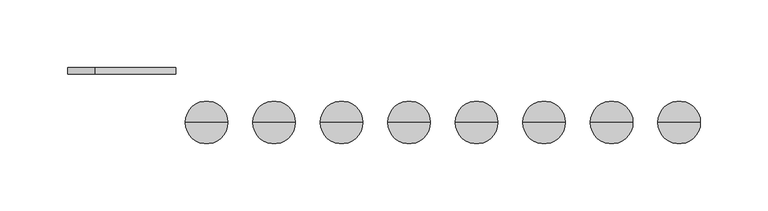
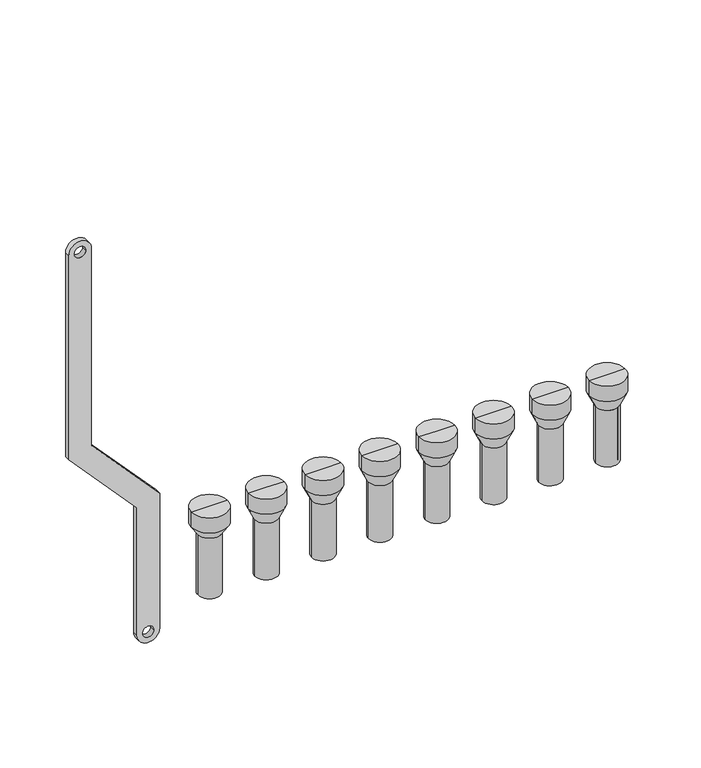
"""IFC4 building model written with IfcOpenShell, lengths in millimetres: proxy geometry."""

from ifc_helpers import new_model, si_unit, point, frame, frame_2d, origin, place, context, project, spatial, polyline, circle_curve, trimmed, segment, composite_curve, outline, extrude, source, transform, mapped, element, save
from ifc_brep_helpers import plane_surface, cylinder_surface, revolved_surface, advanced_brep


def mechanical_equipment_553332b5(model_context):
    return source(origin(), model_context, "Body", "SolidModel", [
        advanced_brep(
        [(451.0, -20.0, -240.0), (435.0, -20.0, -240.0), (435.0, -20.0, -187.5), (451.0, -20.0, -187.5), (453.0, -20.0, -240.0), (433.0, -20.0, -240.0), (453.0, -20.0, -187.5), (433.0, -20.0, -187.5), (458.791778, -20.0, -175.079492), (427.208222, -20.0, -175.079492), (458.791778, -20.0, -161.0287273), (427.208222, -20.0, -161.0287273), (443.0, -20.0, -161.0287273), (443.0, -20.0, -187.5)],
        [
            (0, 1, circle_curve(frame((443.0, -20.0, -240.0), z_axis=(0.0, 0.0, -1.0), x_axis=(-1.0, 0.0, 0.0)), 8.0)),
            (1, 2),
            (2, 3, circle_curve(frame((443.0, -20.0, -187.5), z_axis=(0.0, 0.0, 1.0), x_axis=(-1.0, 0.0, 0.0)), 8.0)),
            (3, 0),
            (1, 0, circle_curve(frame((443.0, -20.0, -240.0), z_axis=(0.0, 0.0, -1.0), x_axis=(-1.0, 0.0, 0.0)), 8.0)),
            (3, 2, circle_curve(frame((443.0, -20.0, -187.5), z_axis=(0.0, 0.0, 1.0), x_axis=(-1.0, 0.0, 0.0)), 8.0)),
            (4, 5, circle_curve(frame((443.0, -20.0, -240.0), z_axis=(0.0, 0.0, -1.0), x_axis=(-1.0, 0.0, 0.0)), 10.0)),
            (5, 1),
            (0, 4),
            (5, 4, circle_curve(frame((443.0, -20.0, -240.0), z_axis=(0.0, 0.0, -1.0), x_axis=(-1.0, 0.0, 0.0)), 10.0)),
            (6, 7, circle_curve(frame((443.0, -20.0, -187.5), z_axis=(0.0, 0.0, -1.0), x_axis=(-1.0, 0.0, 0.0)), 10.0)),
            (7, 5),
            (4, 6),
            (7, 6, circle_curve(frame((443.0, -20.0, -187.5), z_axis=(0.0, 0.0, -1.0), x_axis=(-1.0, 0.0, 0.0)), 10.0)),
            (8, 9, circle_curve(frame((443.0, -20.0, -175.079492), z_axis=(0.0, 0.0, -1.0), x_axis=(-1.0, 0.0, 0.0)), 15.791778)),
            (9, 7),
            (6, 8),
            (9, 8, circle_curve(frame((443.0, -20.0, -175.079492), z_axis=(0.0, 0.0, -1.0), x_axis=(-1.0, 0.0, 0.0)), 15.791778)),
            (10, 11, circle_curve(frame((443.0, -20.0, -161.0287273), z_axis=(0.0, 0.0, -1.0), x_axis=(-1.0, 0.0, 0.0)), 15.791778)),
            (11, 9),
            (8, 10),
            (11, 10, circle_curve(frame((443.0, -20.0, -161.0287273), z_axis=(0.0, 0.0, -1.0), x_axis=(-1.0, 0.0, 0.0)), 15.791778)),
            (12, 11),
            (10, 12),
            (2, 13),
            (13, 3),
        ],
        [
            revolved_surface(polyline([(435.0, -20.0, -187.5), (435.0, -20.0, -240.0)]), (443.0, -20.0, -200.0), (0.0, 0.0, 1.0)),
            plane_surface(frame((443.0, -20.0, -240.0), z_axis=(0.0, 0.0, -1.0), x_axis=(-1.0, 0.0, 0.0))),
            cylinder_surface(frame((443.0, -20.0, -200.0), z_axis=(0.0, 0.0, 1.0), x_axis=(-1.0, 0.0, 0.0)), 10.0),
            revolved_surface(polyline([(433.0, -20.0, -187.5), (427.208222, -20.0, -175.079492)]), (443.0, -20.0, -200.0), (0.0, 0.0, 1.0)),
            cylinder_surface(frame((443.0, -20.0, -200.0), z_axis=(0.0, 0.0, 1.0), x_axis=(-1.0, 0.0, 0.0)), 15.791778),
            plane_surface(frame((443.0, -20.0, -161.0287273), z_axis=(0.0, 0.0, 1.0), x_axis=(-1.0, 0.0, 0.0))),
            plane_surface(frame((443.0, -20.0, -187.5), z_axis=(0.0, 0.0, -1.0), x_axis=(-1.0, 0.0, 0.0))),
        ],
        [
            (0, [[1, 2, 3, 4]]),
            (0, [[5, -4, 6, -2]]),
            (1, [[7, 8, -1, 9]]),
            (1, [[10, -9, -5, -8]]),
            (2, [[11, 12, -7, 13]]),
            (2, [[14, -13, -10, -12]]),
            (3, [[15, 16, -11, 17]]),
            (3, [[18, -17, -14, -16]]),
            (4, [[19, 20, -15, 21]]),
            (4, [[22, -21, -18, -20]]),
            (5, [[23, -19, 24]]),
            (5, [[-24, -22, -23]]),
            (6, [[-3, 25, 26]]),
            (6, [[-6, -26, -25]]),
        ],
    ),
        advanced_brep(
        [(401.0, -20.0, -240.0), (385.0, -20.0, -240.0), (385.0, -20.0, -187.5), (401.0, -20.0, -187.5), (403.0, -20.0, -240.0), (383.0, -20.0, -240.0), (403.0, -20.0, -187.5), (383.0, -20.0, -187.5), (408.791778, -20.0, -175.079492), (377.208222, -20.0, -175.079492), (408.791778, -20.0, -161.0287273), (377.208222, -20.0, -161.0287273), (393.0, -20.0, -161.0287273), (393.0, -20.0, -187.5)],
        [
            (0, 1, circle_curve(frame((393.0, -20.0, -240.0), z_axis=(0.0, 0.0, -1.0), x_axis=(-1.0, 0.0, 0.0)), 8.0)),
            (1, 2),
            (2, 3, circle_curve(frame((393.0, -20.0, -187.5), z_axis=(0.0, 0.0, 1.0), x_axis=(-1.0, 0.0, 0.0)), 8.0)),
            (3, 0),
            (1, 0, circle_curve(frame((393.0, -20.0, -240.0), z_axis=(0.0, 0.0, -1.0), x_axis=(-1.0, 0.0, 0.0)), 8.0)),
            (3, 2, circle_curve(frame((393.0, -20.0, -187.5), z_axis=(0.0, 0.0, 1.0), x_axis=(-1.0, 0.0, 0.0)), 8.0)),
            (4, 5, circle_curve(frame((393.0, -20.0, -240.0), z_axis=(0.0, 0.0, -1.0), x_axis=(-1.0, 0.0, 0.0)), 10.0)),
            (5, 1),
            (0, 4),
            (5, 4, circle_curve(frame((393.0, -20.0, -240.0), z_axis=(0.0, 0.0, -1.0), x_axis=(-1.0, 0.0, 0.0)), 10.0)),
            (6, 7, circle_curve(frame((393.0, -20.0, -187.5), z_axis=(0.0, 0.0, -1.0), x_axis=(-1.0, 0.0, 0.0)), 10.0)),
            (7, 5),
            (4, 6),
            (7, 6, circle_curve(frame((393.0, -20.0, -187.5), z_axis=(0.0, 0.0, -1.0), x_axis=(-1.0, 0.0, 0.0)), 10.0)),
            (8, 9, circle_curve(frame((393.0, -20.0, -175.079492), z_axis=(0.0, 0.0, -1.0), x_axis=(-1.0, 0.0, 0.0)), 15.791778)),
            (9, 7),
            (6, 8),
            (9, 8, circle_curve(frame((393.0, -20.0, -175.079492), z_axis=(0.0, 0.0, -1.0), x_axis=(-1.0, 0.0, 0.0)), 15.791778)),
            (10, 11, circle_curve(frame((393.0, -20.0, -161.0287273), z_axis=(0.0, 0.0, -1.0), x_axis=(-1.0, 0.0, 0.0)), 15.791778)),
            (11, 9),
            (8, 10),
            (11, 10, circle_curve(frame((393.0, -20.0, -161.0287273), z_axis=(0.0, 0.0, -1.0), x_axis=(-1.0, 0.0, 0.0)), 15.791778)),
            (12, 11),
            (10, 12),
            (2, 13),
            (13, 3),
        ],
        [
            revolved_surface(polyline([(385.0, -20.0, -187.5), (385.0, -20.0, -240.0)]), (393.0, -20.0, -200.0), (0.0, 0.0, 1.0)),
            plane_surface(frame((393.0, -20.0, -240.0), z_axis=(0.0, 0.0, -1.0), x_axis=(-1.0, 0.0, 0.0))),
            cylinder_surface(frame((393.0, -20.0, -200.0), z_axis=(0.0, 0.0, 1.0), x_axis=(-1.0, 0.0, 0.0)), 10.0),
            revolved_surface(polyline([(383.0, -20.0, -187.5), (377.208222, -20.0, -175.079492)]), (393.0, -20.0, -200.0), (0.0, 0.0, 1.0)),
            cylinder_surface(frame((393.0, -20.0, -200.0), z_axis=(0.0, 0.0, 1.0), x_axis=(-1.0, 0.0, 0.0)), 15.791778),
            plane_surface(frame((393.0, -20.0, -161.0287273), z_axis=(0.0, 0.0, 1.0), x_axis=(-1.0, 0.0, 0.0))),
            plane_surface(frame((393.0, -20.0, -187.5), z_axis=(0.0, 0.0, -1.0), x_axis=(-1.0, 0.0, 0.0))),
        ],
        [
            (0, [[1, 2, 3, 4]]),
            (0, [[5, -4, 6, -2]]),
            (1, [[7, 8, -1, 9]]),
            (1, [[10, -9, -5, -8]]),
            (2, [[11, 12, -7, 13]]),
            (2, [[14, -13, -10, -12]]),
            (3, [[15, 16, -11, 17]]),
            (3, [[18, -17, -14, -16]]),
            (4, [[19, 20, -15, 21]]),
            (4, [[22, -21, -18, -20]]),
            (5, [[23, -19, 24]]),
            (5, [[-24, -22, -23]]),
            (6, [[-3, 25, 26]]),
            (6, [[-6, -26, -25]]),
        ],
    ),
        advanced_brep(
        [(351.0, -20.0, -240.0), (335.0, -20.0, -240.0), (335.0, -20.0, -187.5), (351.0, -20.0, -187.5), (353.0, -20.0, -240.0), (333.0, -20.0, -240.0), (353.0, -20.0, -187.5), (333.0, -20.0, -187.5), (358.791778, -20.0, -175.079492), (327.208222, -20.0, -175.079492), (358.791778, -20.0, -161.0287273), (327.208222, -20.0, -161.0287273), (343.0, -20.0, -161.0287273), (343.0, -20.0, -187.5)],
        [
            (0, 1, circle_curve(frame((343.0, -20.0, -240.0), z_axis=(0.0, 0.0, -1.0), x_axis=(-1.0, 0.0, 0.0)), 8.0)),
            (1, 2),
            (2, 3, circle_curve(frame((343.0, -20.0, -187.5), z_axis=(0.0, 0.0, 1.0), x_axis=(-1.0, 0.0, 0.0)), 8.0)),
            (3, 0),
            (1, 0, circle_curve(frame((343.0, -20.0, -240.0), z_axis=(0.0, 0.0, -1.0), x_axis=(-1.0, 0.0, 0.0)), 8.0)),
            (3, 2, circle_curve(frame((343.0, -20.0, -187.5), z_axis=(0.0, 0.0, 1.0), x_axis=(-1.0, 0.0, 0.0)), 8.0)),
            (4, 5, circle_curve(frame((343.0, -20.0, -240.0), z_axis=(0.0, 0.0, -1.0), x_axis=(-1.0, 0.0, 0.0)), 10.0)),
            (5, 1),
            (0, 4),
            (5, 4, circle_curve(frame((343.0, -20.0, -240.0), z_axis=(0.0, 0.0, -1.0), x_axis=(-1.0, 0.0, 0.0)), 10.0)),
            (6, 7, circle_curve(frame((343.0, -20.0, -187.5), z_axis=(0.0, 0.0, -1.0), x_axis=(-1.0, 0.0, 0.0)), 10.0)),
            (7, 5),
            (4, 6),
            (7, 6, circle_curve(frame((343.0, -20.0, -187.5), z_axis=(0.0, 0.0, -1.0), x_axis=(-1.0, 0.0, 0.0)), 10.0)),
            (8, 9, circle_curve(frame((343.0, -20.0, -175.079492), z_axis=(0.0, 0.0, -1.0), x_axis=(-1.0, 0.0, 0.0)), 15.791778)),
            (9, 7),
            (6, 8),
            (9, 8, circle_curve(frame((343.0, -20.0, -175.079492), z_axis=(0.0, 0.0, -1.0), x_axis=(-1.0, 0.0, 0.0)), 15.791778)),
            (10, 11, circle_curve(frame((343.0, -20.0, -161.0287273), z_axis=(0.0, 0.0, -1.0), x_axis=(-1.0, 0.0, 0.0)), 15.791778)),
            (11, 9),
            (8, 10),
            (11, 10, circle_curve(frame((343.0, -20.0, -161.0287273), z_axis=(0.0, 0.0, -1.0), x_axis=(-1.0, 0.0, 0.0)), 15.791778)),
            (12, 11),
            (10, 12),
            (2, 13),
            (13, 3),
        ],
        [
            revolved_surface(polyline([(335.0, -20.0, -187.5), (335.0, -20.0, -240.0)]), (343.0, -20.0, -200.0), (0.0, 0.0, 1.0)),
            plane_surface(frame((343.0, -20.0, -240.0), z_axis=(0.0, 0.0, -1.0), x_axis=(-1.0, 0.0, 0.0))),
            cylinder_surface(frame((343.0, -20.0, -200.0), z_axis=(0.0, 0.0, 1.0), x_axis=(-1.0, 0.0, 0.0)), 10.0),
            revolved_surface(polyline([(333.0, -20.0, -187.5), (327.208222, -20.0, -175.079492)]), (343.0, -20.0, -200.0), (0.0, 0.0, 1.0)),
            cylinder_surface(frame((343.0, -20.0, -200.0), z_axis=(0.0, 0.0, 1.0), x_axis=(-1.0, 0.0, 0.0)), 15.791778),
            plane_surface(frame((343.0, -20.0, -161.0287273), z_axis=(0.0, 0.0, 1.0), x_axis=(-1.0, 0.0, 0.0))),
            plane_surface(frame((343.0, -20.0, -187.5), z_axis=(0.0, 0.0, -1.0), x_axis=(-1.0, 0.0, 0.0))),
        ],
        [
            (0, [[1, 2, 3, 4]]),
            (0, [[5, -4, 6, -2]]),
            (1, [[7, 8, -1, 9]]),
            (1, [[10, -9, -5, -8]]),
            (2, [[11, 12, -7, 13]]),
            (2, [[14, -13, -10, -12]]),
            (3, [[15, 16, -11, 17]]),
            (3, [[18, -17, -14, -16]]),
            (4, [[19, 20, -15, 21]]),
            (4, [[22, -21, -18, -20]]),
            (5, [[23, -19, 24]]),
            (5, [[-24, -22, -23]]),
            (6, [[-3, 25, 26]]),
            (6, [[-6, -26, -25]]),
        ],
    ),
        advanced_brep(
        [(301.0, -20.0, -240.0), (285.0, -20.0, -240.0), (285.0, -20.0, -187.5), (301.0, -20.0, -187.5), (303.0, -20.0, -240.0), (283.0, -20.0, -240.0), (303.0, -20.0, -187.5), (283.0, -20.0, -187.5), (308.791778, -20.0, -175.079492), (277.208222, -20.0, -175.079492), (308.791778, -20.0, -161.0287273), (277.208222, -20.0, -161.0287273), (293.0, -20.0, -161.0287273), (293.0, -20.0, -187.5)],
        [
            (0, 1, circle_curve(frame((293.0, -20.0, -240.0), z_axis=(0.0, 0.0, -1.0), x_axis=(-1.0, 0.0, 0.0)), 8.0)),
            (1, 2),
            (2, 3, circle_curve(frame((293.0, -20.0, -187.5), z_axis=(0.0, 0.0, 1.0), x_axis=(-1.0, 0.0, 0.0)), 8.0)),
            (3, 0),
            (1, 0, circle_curve(frame((293.0, -20.0, -240.0), z_axis=(0.0, 0.0, -1.0), x_axis=(-1.0, 0.0, 0.0)), 8.0)),
            (3, 2, circle_curve(frame((293.0, -20.0, -187.5), z_axis=(0.0, 0.0, 1.0), x_axis=(-1.0, 0.0, 0.0)), 8.0)),
            (4, 5, circle_curve(frame((293.0, -20.0, -240.0), z_axis=(0.0, 0.0, -1.0), x_axis=(-1.0, 0.0, 0.0)), 10.0)),
            (5, 1),
            (0, 4),
            (5, 4, circle_curve(frame((293.0, -20.0, -240.0), z_axis=(0.0, 0.0, -1.0), x_axis=(-1.0, 0.0, 0.0)), 10.0)),
            (6, 7, circle_curve(frame((293.0, -20.0, -187.5), z_axis=(0.0, 0.0, -1.0), x_axis=(-1.0, 0.0, 0.0)), 10.0)),
            (7, 5),
            (4, 6),
            (7, 6, circle_curve(frame((293.0, -20.0, -187.5), z_axis=(0.0, 0.0, -1.0), x_axis=(-1.0, 0.0, 0.0)), 10.0)),
            (8, 9, circle_curve(frame((293.0, -20.0, -175.079492), z_axis=(0.0, 0.0, -1.0), x_axis=(-1.0, 0.0, 0.0)), 15.791778)),
            (9, 7),
            (6, 8),
            (9, 8, circle_curve(frame((293.0, -20.0, -175.079492), z_axis=(0.0, 0.0, -1.0), x_axis=(-1.0, 0.0, 0.0)), 15.791778)),
            (10, 11, circle_curve(frame((293.0, -20.0, -161.0287273), z_axis=(0.0, 0.0, -1.0), x_axis=(-1.0, 0.0, 0.0)), 15.791778)),
            (11, 9),
            (8, 10),
            (11, 10, circle_curve(frame((293.0, -20.0, -161.0287273), z_axis=(0.0, 0.0, -1.0), x_axis=(-1.0, 0.0, 0.0)), 15.791778)),
            (12, 11),
            (10, 12),
            (2, 13),
            (13, 3),
        ],
        [
            revolved_surface(polyline([(285.0, -20.0, -187.5), (285.0, -20.0, -240.0)]), (293.0, -20.0, -200.0), (0.0, 0.0, 1.0)),
            plane_surface(frame((293.0, -20.0, -240.0), z_axis=(0.0, 0.0, -1.0), x_axis=(-1.0, 0.0, 0.0))),
            cylinder_surface(frame((293.0, -20.0, -200.0), z_axis=(0.0, 0.0, 1.0), x_axis=(-1.0, 0.0, 0.0)), 10.0),
            revolved_surface(polyline([(283.0, -20.0, -187.5), (277.208222, -20.0, -175.079492)]), (293.0, -20.0, -200.0), (0.0, 0.0, 1.0)),
            cylinder_surface(frame((293.0, -20.0, -200.0), z_axis=(0.0, 0.0, 1.0), x_axis=(-1.0, 0.0, 0.0)), 15.791778),
            plane_surface(frame((293.0, -20.0, -161.0287273), z_axis=(0.0, 0.0, 1.0), x_axis=(-1.0, 0.0, 0.0))),
            plane_surface(frame((293.0, -20.0, -187.5), z_axis=(0.0, 0.0, -1.0), x_axis=(-1.0, 0.0, 0.0))),
        ],
        [
            (0, [[1, 2, 3, 4]]),
            (0, [[5, -4, 6, -2]]),
            (1, [[7, 8, -1, 9]]),
            (1, [[10, -9, -5, -8]]),
            (2, [[11, 12, -7, 13]]),
            (2, [[14, -13, -10, -12]]),
            (3, [[15, 16, -11, 17]]),
            (3, [[18, -17, -14, -16]]),
            (4, [[19, 20, -15, 21]]),
            (4, [[22, -21, -18, -20]]),
            (5, [[23, -19, 24]]),
            (5, [[-24, -22, -23]]),
            (6, [[-3, 25, 26]]),
            (6, [[-6, -26, -25]]),
        ],
    ),
        advanced_brep(
        [(251.0, -20.0, -240.0), (235.0, -20.0, -240.0), (235.0, -20.0, -187.5), (251.0, -20.0, -187.5), (253.0, -20.0, -240.0), (233.0, -20.0, -240.0), (253.0, -20.0, -187.5), (233.0, -20.0, -187.5), (258.791778, -20.0, -175.079492), (227.208222, -20.0, -175.079492), (258.791778, -20.0, -161.0287273), (227.208222, -20.0, -161.0287273), (243.0, -20.0, -161.0287273), (243.0, -20.0, -187.5)],
        [
            (0, 1, circle_curve(frame((243.0, -20.0, -240.0), z_axis=(0.0, 0.0, -1.0), x_axis=(-1.0, 0.0, 0.0)), 8.0)),
            (1, 2),
            (2, 3, circle_curve(frame((243.0, -20.0, -187.5), z_axis=(0.0, 0.0, 1.0), x_axis=(-1.0, 0.0, 0.0)), 8.0)),
            (3, 0),
            (1, 0, circle_curve(frame((243.0, -20.0, -240.0), z_axis=(0.0, 0.0, -1.0), x_axis=(-1.0, 0.0, 0.0)), 8.0)),
            (3, 2, circle_curve(frame((243.0, -20.0, -187.5), z_axis=(0.0, 0.0, 1.0), x_axis=(-1.0, 0.0, 0.0)), 8.0)),
            (4, 5, circle_curve(frame((243.0, -20.0, -240.0), z_axis=(0.0, 0.0, -1.0), x_axis=(-1.0, 0.0, 0.0)), 10.0)),
            (5, 1),
            (0, 4),
            (5, 4, circle_curve(frame((243.0, -20.0, -240.0), z_axis=(0.0, 0.0, -1.0), x_axis=(-1.0, 0.0, 0.0)), 10.0)),
            (6, 7, circle_curve(frame((243.0, -20.0, -187.5), z_axis=(0.0, 0.0, -1.0), x_axis=(-1.0, 0.0, 0.0)), 10.0)),
            (7, 5),
            (4, 6),
            (7, 6, circle_curve(frame((243.0, -20.0, -187.5), z_axis=(0.0, 0.0, -1.0), x_axis=(-1.0, 0.0, 0.0)), 10.0)),
            (8, 9, circle_curve(frame((243.0, -20.0, -175.079492), z_axis=(0.0, 0.0, -1.0), x_axis=(-1.0, 0.0, 0.0)), 15.791778)),
            (9, 7),
            (6, 8),
            (9, 8, circle_curve(frame((243.0, -20.0, -175.079492), z_axis=(0.0, 0.0, -1.0), x_axis=(-1.0, 0.0, 0.0)), 15.791778)),
            (10, 11, circle_curve(frame((243.0, -20.0, -161.0287273), z_axis=(0.0, 0.0, -1.0), x_axis=(-1.0, 0.0, 0.0)), 15.791778)),
            (11, 9),
            (8, 10),
            (11, 10, circle_curve(frame((243.0, -20.0, -161.0287273), z_axis=(0.0, 0.0, -1.0), x_axis=(-1.0, 0.0, 0.0)), 15.791778)),
            (12, 11),
            (10, 12),
            (2, 13),
            (13, 3),
        ],
        [
            revolved_surface(polyline([(235.0, -20.0, -187.5), (235.0, -20.0, -240.0)]), (243.0, -20.0, -200.0), (0.0, 0.0, 1.0)),
            plane_surface(frame((243.0, -20.0, -240.0), z_axis=(0.0, 0.0, -1.0), x_axis=(-1.0, 0.0, 0.0))),
            cylinder_surface(frame((243.0, -20.0, -200.0), z_axis=(0.0, 0.0, 1.0), x_axis=(-1.0, 0.0, 0.0)), 10.0),
            revolved_surface(polyline([(233.0, -20.0, -187.5), (227.208222, -20.0, -175.079492)]), (243.0, -20.0, -200.0), (0.0, 0.0, 1.0)),
            cylinder_surface(frame((243.0, -20.0, -200.0), z_axis=(0.0, 0.0, 1.0), x_axis=(-1.0, 0.0, 0.0)), 15.791778),
            plane_surface(frame((243.0, -20.0, -161.0287273), z_axis=(0.0, 0.0, 1.0), x_axis=(-1.0, 0.0, 0.0))),
            plane_surface(frame((243.0, -20.0, -187.5), z_axis=(0.0, 0.0, -1.0), x_axis=(-1.0, 0.0, 0.0))),
        ],
        [
            (0, [[1, 2, 3, 4]]),
            (0, [[5, -4, 6, -2]]),
            (1, [[7, 8, -1, 9]]),
            (1, [[10, -9, -5, -8]]),
            (2, [[11, 12, -7, 13]]),
            (2, [[14, -13, -10, -12]]),
            (3, [[15, 16, -11, 17]]),
            (3, [[18, -17, -14, -16]]),
            (4, [[19, 20, -15, 21]]),
            (4, [[22, -21, -18, -20]]),
            (5, [[23, -19, 24]]),
            (5, [[-24, -22, -23]]),
            (6, [[-3, 25, 26]]),
            (6, [[-6, -26, -25]]),
        ],
    ),
        advanced_brep(
        [(201.0, -20.0, -240.0), (185.0, -20.0, -240.0), (185.0, -20.0, -187.5), (201.0, -20.0, -187.5), (203.0, -20.0, -240.0), (183.0, -20.0, -240.0), (203.0, -20.0, -187.5), (183.0, -20.0, -187.5), (208.791778, -20.0, -175.079492), (177.208222, -20.0, -175.079492), (208.791778, -20.0, -161.0287273), (177.208222, -20.0, -161.0287273), (193.0, -20.0, -161.0287273), (193.0, -20.0, -187.5)],
        [
            (0, 1, circle_curve(frame((193.0, -20.0, -240.0), z_axis=(0.0, 0.0, -1.0), x_axis=(-1.0, 0.0, 0.0)), 8.0)),
            (1, 2),
            (2, 3, circle_curve(frame((193.0, -20.0, -187.5), z_axis=(0.0, 0.0, 1.0), x_axis=(-1.0, 0.0, 0.0)), 8.0)),
            (3, 0),
            (1, 0, circle_curve(frame((193.0, -20.0, -240.0), z_axis=(0.0, 0.0, -1.0), x_axis=(-1.0, 0.0, 0.0)), 8.0)),
            (3, 2, circle_curve(frame((193.0, -20.0, -187.5), z_axis=(0.0, 0.0, 1.0), x_axis=(-1.0, 0.0, 0.0)), 8.0)),
            (4, 5, circle_curve(frame((193.0, -20.0, -240.0), z_axis=(0.0, 0.0, -1.0), x_axis=(-1.0, 0.0, 0.0)), 10.0)),
            (5, 1),
            (0, 4),
            (5, 4, circle_curve(frame((193.0, -20.0, -240.0), z_axis=(0.0, 0.0, -1.0), x_axis=(-1.0, 0.0, 0.0)), 10.0)),
            (6, 7, circle_curve(frame((193.0, -20.0, -187.5), z_axis=(0.0, 0.0, -1.0), x_axis=(-1.0, 0.0, 0.0)), 10.0)),
            (7, 5),
            (4, 6),
            (7, 6, circle_curve(frame((193.0, -20.0, -187.5), z_axis=(0.0, 0.0, -1.0), x_axis=(-1.0, 0.0, 0.0)), 10.0)),
            (8, 9, circle_curve(frame((193.0, -20.0, -175.079492), z_axis=(0.0, 0.0, -1.0), x_axis=(-1.0, 0.0, 0.0)), 15.791778)),
            (9, 7),
            (6, 8),
            (9, 8, circle_curve(frame((193.0, -20.0, -175.079492), z_axis=(0.0, 0.0, -1.0), x_axis=(-1.0, 0.0, 0.0)), 15.791778)),
            (10, 11, circle_curve(frame((193.0, -20.0, -161.0287273), z_axis=(0.0, 0.0, -1.0), x_axis=(-1.0, 0.0, 0.0)), 15.791778)),
            (11, 9),
            (8, 10),
            (11, 10, circle_curve(frame((193.0, -20.0, -161.0287273), z_axis=(0.0, 0.0, -1.0), x_axis=(-1.0, 0.0, 0.0)), 15.791778)),
            (12, 11),
            (10, 12),
            (2, 13),
            (13, 3),
        ],
        [
            revolved_surface(polyline([(185.0, -20.0, -187.5), (185.0, -20.0, -240.0)]), (193.0, -20.0, -200.0), (0.0, 0.0, 1.0)),
            plane_surface(frame((193.0, -20.0, -240.0), z_axis=(0.0, 0.0, -1.0), x_axis=(-1.0, 0.0, 0.0))),
            cylinder_surface(frame((193.0, -20.0, -200.0), z_axis=(0.0, 0.0, 1.0), x_axis=(-1.0, 0.0, 0.0)), 10.0),
            revolved_surface(polyline([(183.0, -20.0, -187.5), (177.208222, -20.0, -175.079492)]), (193.0, -20.0, -200.0), (0.0, 0.0, 1.0)),
            cylinder_surface(frame((193.0, -20.0, -200.0), z_axis=(0.0, 0.0, 1.0), x_axis=(-1.0, 0.0, 0.0)), 15.791778),
            plane_surface(frame((193.0, -20.0, -161.0287273), z_axis=(0.0, 0.0, 1.0), x_axis=(-1.0, 0.0, 0.0))),
            plane_surface(frame((193.0, -20.0, -187.5), z_axis=(0.0, 0.0, -1.0), x_axis=(-1.0, 0.0, 0.0))),
        ],
        [
            (0, [[1, 2, 3, 4]]),
            (0, [[5, -4, 6, -2]]),
            (1, [[7, 8, -1, 9]]),
            (1, [[10, -9, -5, -8]]),
            (2, [[11, 12, -7, 13]]),
            (2, [[14, -13, -10, -12]]),
            (3, [[15, 16, -11, 17]]),
            (3, [[18, -17, -14, -16]]),
            (4, [[19, 20, -15, 21]]),
            (4, [[22, -21, -18, -20]]),
            (5, [[23, -19, 24]]),
            (5, [[-24, -22, -23]]),
            (6, [[-3, 25, 26]]),
            (6, [[-6, -26, -25]]),
        ],
    ),
        advanced_brep(
        [(151.0, -20.0, -240.0), (135.0, -20.0, -240.0), (135.0, -20.0, -187.5), (151.0, -20.0, -187.5), (153.0, -20.0, -240.0), (133.0, -20.0, -240.0), (153.0, -20.0, -187.5), (133.0, -20.0, -187.5), (158.791778, -20.0, -175.079492), (127.208222, -20.0, -175.079492), (158.791778, -20.0, -161.0287273), (127.208222, -20.0, -161.0287273), (143.0, -20.0, -161.0287273), (143.0, -20.0, -187.5)],
        [
            (0, 1, circle_curve(frame((143.0, -20.0, -240.0), z_axis=(0.0, 0.0, -1.0), x_axis=(-1.0, 0.0, 0.0)), 8.0)),
            (1, 2),
            (2, 3, circle_curve(frame((143.0, -20.0, -187.5), z_axis=(0.0, 0.0, 1.0), x_axis=(-1.0, 0.0, 0.0)), 8.0)),
            (3, 0),
            (1, 0, circle_curve(frame((143.0, -20.0, -240.0), z_axis=(0.0, 0.0, -1.0), x_axis=(-1.0, 0.0, 0.0)), 8.0)),
            (3, 2, circle_curve(frame((143.0, -20.0, -187.5), z_axis=(0.0, 0.0, 1.0), x_axis=(-1.0, 0.0, 0.0)), 8.0)),
            (4, 5, circle_curve(frame((143.0, -20.0, -240.0), z_axis=(0.0, 0.0, -1.0), x_axis=(-1.0, 0.0, 0.0)), 10.0)),
            (5, 1),
            (0, 4),
            (5, 4, circle_curve(frame((143.0, -20.0, -240.0), z_axis=(0.0, 0.0, -1.0), x_axis=(-1.0, 0.0, 0.0)), 10.0)),
            (6, 7, circle_curve(frame((143.0, -20.0, -187.5), z_axis=(0.0, 0.0, -1.0), x_axis=(-1.0, 0.0, 0.0)), 10.0)),
            (7, 5),
            (4, 6),
            (7, 6, circle_curve(frame((143.0, -20.0, -187.5), z_axis=(0.0, 0.0, -1.0), x_axis=(-1.0, 0.0, 0.0)), 10.0)),
            (8, 9, circle_curve(frame((143.0, -20.0, -175.079492), z_axis=(0.0, 0.0, -1.0), x_axis=(-1.0, 0.0, 0.0)), 15.791778)),
            (9, 7),
            (6, 8),
            (9, 8, circle_curve(frame((143.0, -20.0, -175.079492), z_axis=(0.0, 0.0, -1.0), x_axis=(-1.0, 0.0, 0.0)), 15.791778)),
            (10, 11, circle_curve(frame((143.0, -20.0, -161.0287273), z_axis=(0.0, 0.0, -1.0), x_axis=(-1.0, 0.0, 0.0)), 15.791778)),
            (11, 9),
            (8, 10),
            (11, 10, circle_curve(frame((143.0, -20.0, -161.0287273), z_axis=(0.0, 0.0, -1.0), x_axis=(-1.0, 0.0, 0.0)), 15.791778)),
            (12, 11),
            (10, 12),
            (2, 13),
            (13, 3),
        ],
        [
            revolved_surface(polyline([(135.0, -20.0, -187.5), (135.0, -20.0, -240.0)]), (143.0, -20.0, -200.0), (0.0, 0.0, 1.0)),
            plane_surface(frame((143.0, -20.0, -240.0), z_axis=(0.0, 0.0, -1.0), x_axis=(-1.0, 0.0, 0.0))),
            cylinder_surface(frame((143.0, -20.0, -200.0), z_axis=(0.0, 0.0, 1.0), x_axis=(-1.0, 0.0, 0.0)), 10.0),
            revolved_surface(polyline([(133.0, -20.0, -187.5), (127.208222, -20.0, -175.079492)]), (143.0, -20.0, -200.0), (0.0, 0.0, 1.0)),
            cylinder_surface(frame((143.0, -20.0, -200.0), z_axis=(0.0, 0.0, 1.0), x_axis=(-1.0, 0.0, 0.0)), 15.791778),
            plane_surface(frame((143.0, -20.0, -161.0287273), z_axis=(0.0, 0.0, 1.0), x_axis=(-1.0, 0.0, 0.0))),
            plane_surface(frame((143.0, -20.0, -187.5), z_axis=(0.0, 0.0, -1.0), x_axis=(-1.0, 0.0, 0.0))),
        ],
        [
            (0, [[1, 2, 3, 4]]),
            (0, [[5, -4, 6, -2]]),
            (1, [[7, 8, -1, 9]]),
            (1, [[10, -9, -5, -8]]),
            (2, [[11, 12, -7, 13]]),
            (2, [[14, -13, -10, -12]]),
            (3, [[15, 16, -11, 17]]),
            (3, [[18, -17, -14, -16]]),
            (4, [[19, 20, -15, 21]]),
            (4, [[22, -21, -18, -20]]),
            (5, [[23, -19, 24]]),
            (5, [[-24, -22, -23]]),
            (6, [[-3, 25, 26]]),
            (6, [[-6, -26, -25]]),
        ],
    ),
        advanced_brep(
        [(101.0, -20.0, -240.0), (85.0, -20.0, -240.0), (85.0, -20.0, -184.0), (101.0, -20.0, -184.0), (103.0, -20.0, -240.0), (83.0, -20.0, -240.0), (103.0, -20.0, -184.0), (83.0, -20.0, -184.0), (108.791778, -20.0, -175.079492), (77.208222, -20.0, -175.079492), (108.791778, -20.0, -161.0287273), (77.208222, -20.0, -161.0287273), (93.0, -20.0, -161.0287273), (93.0, -20.0, -184.0)],
        [
            (0, 1, circle_curve(frame((93.0, -20.0, -240.0), z_axis=(0.0, 0.0, -1.0), x_axis=(-1.0, 0.0, 0.0)), 8.0)),
            (1, 2),
            (2, 3, circle_curve(frame((93.0, -20.0, -184.0), z_axis=(0.0, 0.0, 1.0), x_axis=(-1.0, 0.0, 0.0)), 8.0)),
            (3, 0),
            (1, 0, circle_curve(frame((93.0, -20.0, -240.0), z_axis=(0.0, 0.0, -1.0), x_axis=(-1.0, 0.0, 0.0)), 8.0)),
            (3, 2, circle_curve(frame((93.0, -20.0, -184.0), z_axis=(0.0, 0.0, 1.0), x_axis=(-1.0, 0.0, 0.0)), 8.0)),
            (4, 5, circle_curve(frame((93.0, -20.0, -240.0), z_axis=(0.0, 0.0, -1.0), x_axis=(-1.0, 0.0, 0.0)), 10.0)),
            (5, 1),
            (0, 4),
            (5, 4, circle_curve(frame((93.0, -20.0, -240.0), z_axis=(0.0, 0.0, -1.0), x_axis=(-1.0, 0.0, 0.0)), 10.0)),
            (6, 7, circle_curve(frame((93.0, -20.0, -184.0), z_axis=(0.0, 0.0, -1.0), x_axis=(-1.0, 0.0, 0.0)), 10.0)),
            (7, 5),
            (4, 6),
            (7, 6, circle_curve(frame((93.0, -20.0, -184.0), z_axis=(0.0, 0.0, -1.0), x_axis=(-1.0, 0.0, 0.0)), 10.0)),
            (8, 9, circle_curve(frame((93.0, -20.0, -175.079492), z_axis=(0.0, 0.0, -1.0), x_axis=(-1.0, 0.0, 0.0)), 15.791778)),
            (9, 7),
            (6, 8),
            (9, 8, circle_curve(frame((93.0, -20.0, -175.079492), z_axis=(0.0, 0.0, -1.0), x_axis=(-1.0, 0.0, 0.0)), 15.791778)),
            (10, 11, circle_curve(frame((93.0, -20.0, -161.0287273), z_axis=(0.0, 0.0, -1.0), x_axis=(-1.0, 0.0, 0.0)), 15.791778)),
            (11, 9),
            (8, 10),
            (11, 10, circle_curve(frame((93.0, -20.0, -161.0287273), z_axis=(0.0, 0.0, -1.0), x_axis=(-1.0, 0.0, 0.0)), 15.791778)),
            (12, 11),
            (10, 12),
            (2, 13),
            (13, 3),
        ],
        [
            revolved_surface(polyline([(85.0, -20.0, -184.0), (85.0, -20.0, -240.0)]), (93.0, -20.0, -200.0), (0.0, 0.0, 1.0)),
            plane_surface(frame((93.0, -20.0, -240.0), z_axis=(0.0, 0.0, -1.0), x_axis=(-1.0, 0.0, 0.0))),
            cylinder_surface(frame((93.0, -20.0, -200.0), z_axis=(0.0, 0.0, 1.0), x_axis=(-1.0, 0.0, 0.0)), 10.0),
            revolved_surface(polyline([(83.0, -20.0, -184.0), (77.208222, -20.0, -175.079492)]), (93.0, -20.0, -200.0), (0.0, 0.0, 1.0)),
            cylinder_surface(frame((93.0, -20.0, -200.0), z_axis=(0.0, 0.0, 1.0), x_axis=(-1.0, 0.0, 0.0)), 15.791778),
            plane_surface(frame((93.0, -20.0, -161.0287273), z_axis=(0.0, 0.0, 1.0), x_axis=(-1.0, 0.0, 0.0))),
            plane_surface(frame((93.0, -20.0, -184.0), z_axis=(0.0, 0.0, -1.0), x_axis=(-1.0, 0.0, 0.0))),
        ],
        [
            (0, [[1, 2, 3, 4]]),
            (0, [[5, -4, 6, -2]]),
            (1, [[7, 8, -1, 9]]),
            (1, [[10, -9, -5, -8]]),
            (2, [[11, 12, -7, 13]]),
            (2, [[14, -13, -10, -12]]),
            (3, [[15, 16, -11, 17]]),
            (3, [[18, -17, -14, -16]]),
            (4, [[19, 20, -15, 21]]),
            (4, [[22, -21, -18, -20]]),
            (5, [[23, -19, 24]]),
            (5, [[-24, -22, -23]]),
            (6, [[-3, 25, 26]]),
            (6, [[-6, -26, -25]]),
        ],
    ),
        extrude(outline(composite_curve([segment(trimmed(circle_curve(frame_2d((86.2845679, 0.0)), 10.0), [point((86.2845679, 10.0))], [point((86.2845679, -10.0))], False, "CARTESIAN"), True, "CONTINUOUS"), segment(polyline([(86.2845679, -10.0), (-103.7138261, -10.0), (-169.0329221, 50.0), (-287.9537524, 50.0)]), True, "CONTINUOUS"), segment(trimmed(circle_curve(frame_2d((-287.9537524, 60.0)), 10.0), [point((-287.9537524, 50.0))], [point((-287.9537524, 70.0))], False, "CARTESIAN"), True, "CONTINUOUS"), segment(polyline([(-287.9537524, 70.0), (-162.5345282, 70.0), (-97.2154321, 10.0), (86.2845679, 10.0)]), True, "CONTINUOUS")], self_intersect=False), holes=[composite_curve([segment(trimmed(circle_curve(frame_2d((86.2845679, 0.0)), 5.0), [point((86.2845679, -5.0))], [point((86.2845679, 5.0))], True, "CARTESIAN"), True, "CONTINUOUS"), segment(trimmed(circle_curve(frame_2d((86.2845679, 0.0)), 5.0), [point((86.2845679, 5.0))], [point((86.2845679, -5.0))], True, "CARTESIAN"), True, "CONTINUOUS")], self_intersect=False), composite_curve([segment(trimmed(circle_curve(frame_2d((-287.9537524, 60.0)), 5.0), [point((-287.9537524, 55.0))], [point((-287.9537524, 65.0))], True, "CARTESIAN"), True, "CONTINUOUS"), segment(trimmed(circle_curve(frame_2d((-287.9537524, 60.0)), 5.0), [point((-287.9537524, 65.0))], [point((-287.9537524, 55.0))], True, "CARTESIAN"), True, "CONTINUOUS")], self_intersect=False)]), frame((0.0, 16.0, 0.0), z_axis=(0.0, 1.0, 0.0), x_axis=(0.0, 0.0, 1.0)), (0.0, 0.0, 1.0), 4.847249),
    ])


if __name__ == "__main__":
    model = new_model("IFC4")
    model_context = context("Model", 3, world=origin())
    ifc_project = project(units=[si_unit("LENGTHUNIT", "METRE", prefix="MILLI")], contexts=[model_context])
    site = spatial("IfcSite", under=ifc_project)
    building = spatial("IfcBuilding", under=site)
    placement = place(None, origin())
    mechanical_equipment_shape = mechanical_equipment_553332b5(model_context)
    element("IfcBuildingElementProxy", 1, Name="Mechanical Equipment", at=placement, inside=building, context=model_context, shape_type="MappedRepresentation", body=[
        mapped(mechanical_equipment_shape, transform((0.0, 0.0, 0.0), x_axis=(1.0, 0.0, 0.0), y_axis=(0.0, 1.0, 0.0), z_axis=(0.0, 0.0, 1.0))),
    ])
    save(model, "model.ifc")
